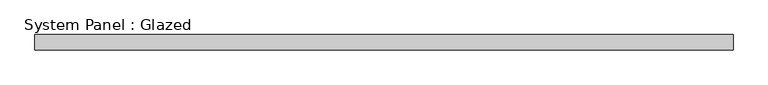
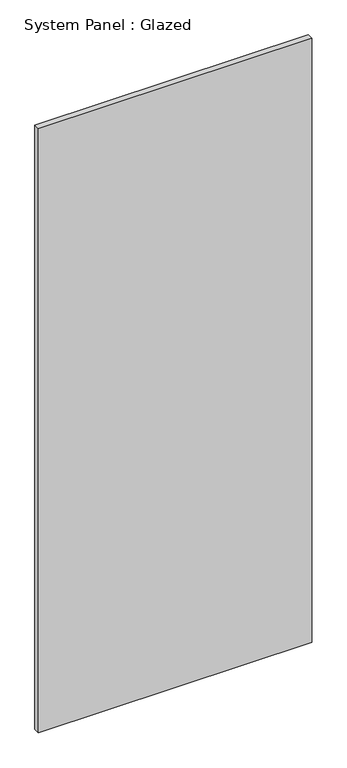
"""IFC4 building model written with IfcOpenShell, lengths in millimetres: plate geometry, System Panel : Glazed."""

from ifc_helpers import new_model, si_unit, origin, origin_with_axes, place, context, project, spatial, polyline, outline, extrude, source, transform, mapped, element, save


def system_panel_glazed_32e9af7e(model_context):
    return source(origin(), model_context, "Body", "SweptSolid", [
        extrude(outline(polyline([(577.8520239, 24.5), (-577.8520239, 24.5), (-577.8520239, 49.5), (577.8520239, 49.5), (577.8520239, 24.5)])), origin_with_axes(), (0.0, 0.0, 1.0), 2700.0),
    ])


if __name__ == "__main__":
    model = new_model("IFC4")
    model_context = context("Model", 3, world=origin())
    ifc_project = project(units=[si_unit("LENGTHUNIT", "METRE", prefix="MILLI")], contexts=[model_context])
    site = spatial("IfcSite", under=ifc_project)
    building = spatial("IfcBuilding", under=site)
    placement = place(None, origin())
    system_panel_glazed_shape = system_panel_glazed_32e9af7e(model_context)
    element("IfcPlate", 1, ObjectType="System Panel : Glazed", at=placement, inside=building, context=model_context, shape_type="MappedRepresentation", body=[
        mapped(system_panel_glazed_shape, transform((0.0, 0.0, 0.0), x_axis=(1.0, 0.0, 0.0), y_axis=(0.0, 1.0, 0.0), z_axis=(0.0, 0.0, 1.0))),
    ])
    save(model, "model.ifc")
